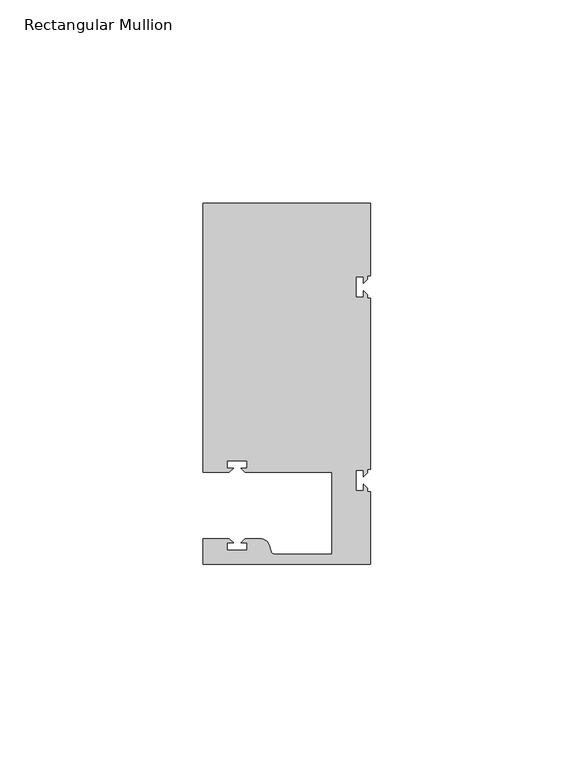
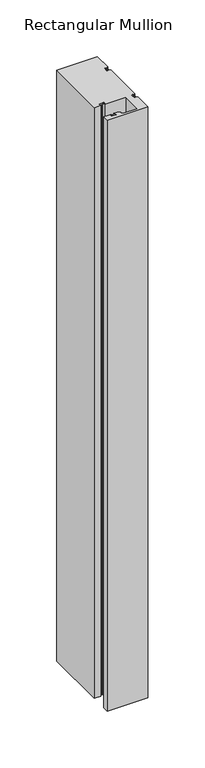
"""IFC4 building model written with IfcOpenShell, lengths in millimetres: member geometry, Rectangular Mullion."""

from ifc_helpers import new_model, si_unit, point, frame, frame_2d, origin, place, context, project, spatial, polyline, circle_curve, trimmed, segment, composite_curve, outline, extrude, source, transform, mapped, element, save


def rectangular_mullion_35e99afd(model_context):
    return source(origin(), model_context, "Body", "SweptSolid", [
        extrude(outline(composite_curve([segment(polyline([(0.0, -44.45), (-41.2749977, -44.45), (-41.2749977, -38.1499897), (-34.8007531, -38.1499897), (-33.8007405, -39.1500023), (-35.3749778, -39.1500023), (-35.3749778, -40.9498819), (-30.3749831, -40.9498819), (-30.3749831, -39.1500023), (-31.949256, -39.1500023), (-30.9492503, -38.1499966), (-27.2637853, -38.1499966)]), True, "CONTINUOUS"), segment(trimmed(circle_curve(frame_2d((-27.2637853, -40.6499966)), 2.5), [point((-27.2637853, -38.1499966))], [point((-24.8489707, -40.002949))], False, "CARTESIAN"), True, "CONTINUOUS"), segment(polyline([(-24.8489707, -40.002949), (-24.5258588, -41.2088192)]), True, "CONTINUOUS"), segment(trimmed(circle_curve(frame_2d((-23.5599329, -40.9500001)), 1.0), [point((-24.5258588, -41.2088192))], [point((-23.5599329, -41.9500001))], True, "CARTESIAN"), True, "CONTINUOUS"), segment(polyline([(-23.5599329, -41.9500001), (-9.525, -41.95), (-9.525, -21.7499959), (-30.9492434, -21.7499959), (-31.949256, -20.7499834), (-30.3750186, -20.7499834), (-30.3750186, -18.949936), (-35.3750134, -18.949936), (-35.3750134, -20.7499834), (-33.8007405, -20.7499834), (-34.8007562, -21.749999), (-41.275, -21.749999), (-41.275, 44.45), (0.0, 44.45), (0.0, 26.5319902), (-0.79375, 26.5319902), (-0.79375, 25.7382757), (-1.7937657, 24.73826), (-1.7937657, 26.3124974), (-3.5938131, 26.3124974), (-3.5938131, 21.3125026), (-1.7937657, 21.3125026), (-1.7937657, 22.8867755), (-0.79375, 21.8867598), (-0.79375, 21.0930098), (0.0, 21.0930098), (0.0, -21.0930098), (-0.79375, -21.0930098), (-0.79375, -21.8867243), (-1.7937657, -22.88674), (-1.7937657, -21.3125026), (-3.5938131, -21.3125026), (-3.5938131, -26.3124974), (-1.7937657, -26.3124974), (-1.7937657, -24.7382245), (-0.79375, -25.7382402), (-0.79375, -26.5319902), (0.0, -26.5319902), (0.0, -44.45)]), True, "CONTINUOUS")], self_intersect=False)), frame((0.0, 0.0, -635.0), z_axis=(0.0, 0.0, 1.0), x_axis=(1.0, 0.0, 0.0)), (0.0, 0.0, 1.0), 635.0),
    ])


if __name__ == "__main__":
    model = new_model("IFC4")
    model_context = context("Model", 3, world=origin())
    ifc_project = project(units=[si_unit("LENGTHUNIT", "METRE", prefix="MILLI")], contexts=[model_context])
    site = spatial("IfcSite", under=ifc_project)
    building = spatial("IfcBuilding", under=site)
    placement = place(None, origin())
    rectangular_mullion_shape = rectangular_mullion_35e99afd(model_context)
    element("IfcMember", 1, ObjectType="Rectangular Mullion", at=placement, inside=building, context=model_context, shape_type="MappedRepresentation", body=[
        mapped(rectangular_mullion_shape, transform((0.0, 0.0, 0.0), x_axis=(1.0, 0.0, 0.0), y_axis=(0.0, 1.0, 0.0), z_axis=(0.0, 0.0, 1.0))),
    ])
    save(model, "model.ifc")
